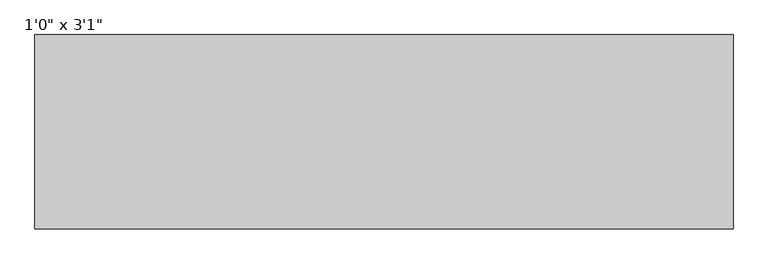
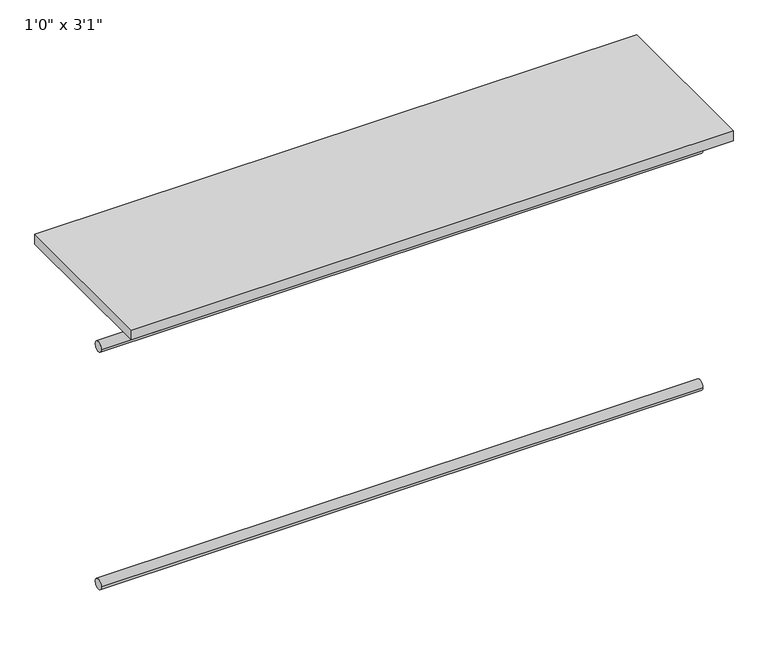
"""IFC4 building model written with IfcOpenShell, lengths in millimetres: furniture geometry."""

import ifcopenshell
import ifcopenshell.guid

model = None  # the IFC model being written
_history = None  # IfcOwnerHistory: only IFC2X3 demands one
_inside = {}  # id of a spatial element -> (the spatial element, [elements in it])
_under = {}  # id of a project, library or spatial element -> (it, [spatial elements below it])
_declared = {}  # id of a project -> (the project, [libraries it declares])
_typed = {}  # id of a type object -> (the type object, [elements of that type])
_made_of = {}  # id of a material, layer set ... -> (it, [elements and type objects made of it])


def new_model(schema):
    """Start an empty IFC model of exactly this schema.

    Asked for "IFC4X3", IfcOpenShell would pick the latest addendum, in which some entities
    have other attributes; the version numbers below select the first issue.
    IFC2X3 requires an IfcOwnerHistory on every rooted entity: one is made here for all.
    """
    global model, _history
    if schema == "IFC4X3":
        model = ifcopenshell.file(schema_version=(4, 3, 0, 0))
    else:
        model = ifcopenshell.file(schema=schema)
    _inside.clear()
    _under.clear()
    _declared.clear()
    _typed.clear()
    _made_of.clear()
    _history = None
    if model.schema == "IFC2X3":
        org = make("IfcOrganization", Name="unknown")
        user = make(
            "IfcPersonAndOrganization",
            ThePerson=make("IfcPerson", FamilyName="unknown"),
            TheOrganization=org,
        )
        app = make(
            "IfcApplication",
            ApplicationDeveloper=org,
            Version="unknown",
            ApplicationFullName="unknown",
            ApplicationIdentifier="unknown",
        )
        _history = make(
            "IfcOwnerHistory",
            OwningUser=user,
            OwningApplication=app,
            ChangeAction="ADDED",
            CreationDate=0,
        )
    return model


def make(cls, **values):
    """One entity of the class cls with the attributes given. An attribute that is None is left unset."""
    return model.create_entity(
        cls, **{name: value for name, value in values.items() if value is not None}
    )


def rooted(cls, **values):
    """An entity with a GlobalId (a new one), such as an element, a storey or a relation."""
    return make(cls, GlobalId=ifcopenshell.guid.new(), OwnerHistory=_history, **values)


def si_unit(unit_type, name, prefix=None):
    """IfcSIUnit, for example si_unit("LENGTHUNIT", "METRE", prefix="MILLI")."""
    return make("IfcSIUnit", UnitType=unit_type, Prefix=prefix, Name=name)


def assignment(units):
    """IfcUnitAssignment: the units of a project."""
    return None if units is None else make("IfcUnitAssignment", Units=units)


def point(xyz):
    """IfcCartesianPoint."""
    return None if xyz is None else make("IfcCartesianPoint", Coordinates=xyz)


def direction(xyz):
    """IfcDirection."""
    return None if xyz is None else make("IfcDirection", DirectionRatios=xyz)


def frame(location, z_axis=None, x_axis=None):
    """IfcAxis2Placement3D, a coordinate frame: its origin and axes. An axis left out is left unset."""
    return make(
        "IfcAxis2Placement3D",
        Location=point(location),
        Axis=direction(z_axis),
        RefDirection=direction(x_axis),
    )


def frame_2d(location, x_axis=None):
    """IfcAxis2Placement2D, a coordinate frame in the plane: its origin and x axis."""
    return make(
        "IfcAxis2Placement2D", Location=point(location), RefDirection=direction(x_axis)
    )


def origin():
    """The frame at (0, 0, 0) with its axes left unset."""
    return frame((0.0, 0.0, 0.0))


def origin_with_axes():
    """The frame at (0, 0, 0) with the z axis (0, 0, 1) and the x axis (1, 0, 0) written out."""
    return frame((0.0, 0.0, 0.0), z_axis=(0.0, 0.0, 1.0), x_axis=(1.0, 0.0, 0.0))


def place(relative_to, where):
    """IfcLocalPlacement: puts the frame where relative to a parent placement (None: the world)."""
    return make(
        "IfcLocalPlacement", PlacementRelTo=relative_to, RelativePlacement=where
    )


def context(
    kind, dimensions, precision=None, world=None, true_north=None, identifier=None
):
    """IfcGeometricRepresentationContext, for example the 3D "Model" context."""
    return make(
        "IfcGeometricRepresentationContext",
        ContextIdentifier=identifier,
        ContextType=kind,
        CoordinateSpaceDimension=dimensions,
        Precision=precision,
        WorldCoordinateSystem=world,
        TrueNorth=true_north,
    )


def project(units=None, contexts=None):
    """IfcProject with its units and contexts."""
    return rooted(
        "IfcProject",
        Name="project",
        RepresentationContexts=contexts,
        UnitsInContext=assignment(units),
    )


def spatial(cls, under=None, at=None, **own):
    """A site, building, storey or space (cls), placed at a placement, below another one or the project."""
    s = rooted(cls, ObjectPlacement=at, **own)
    if under is not None:
        _under.setdefault(under.id(), (under, []))[1].append(s)
    return s


def polyline(points):
    """IfcPolyline through the points."""
    return make("IfcPolyline", Points=[point(p) for p in points])


def circle_curve(where, radius):
    """IfcCircle in the frame where."""
    return make("IfcCircle", Position=where, Radius=radius)


def trimmed(basis, trim1, trim2, sense, master):
    """IfcTrimmedCurve: the piece of a basis curve between two trims."""
    return make(
        "IfcTrimmedCurve",
        BasisCurve=basis,
        Trim1=trim1,
        Trim2=trim2,
        SenseAgreement=sense,
        MasterRepresentation=master,
    )


def segment(curve, same_sense, transition):
    """IfcCompositeCurveSegment."""
    return make(
        "IfcCompositeCurveSegment",
        Transition=transition,
        SameSense=same_sense,
        ParentCurve=curve,
    )


def composite_curve(segments, self_intersect=None):
    """IfcCompositeCurve: segments joined end to end."""
    return make("IfcCompositeCurve", Segments=segments, SelfIntersect=self_intersect)


def outline(outer, holes=None, kind="AREA"):
    """IfcArbitraryClosedProfileDef: a profile drawn as a closed curve; with holes, ...WithVoids."""
    if holes is None:
        return make("IfcArbitraryClosedProfileDef", ProfileType=kind, OuterCurve=outer)
    return make(
        "IfcArbitraryProfileDefWithVoids",
        ProfileType=kind,
        OuterCurve=outer,
        InnerCurves=holes,
    )


def extrude(swept, where, along, depth):
    """IfcExtrudedAreaSolid: the profile swept, set in the frame where, extruded along a direction by depth."""
    return make(
        "IfcExtrudedAreaSolid",
        SweptArea=swept,
        Position=where,
        ExtrudedDirection=direction(along),
        Depth=depth,
    )


def shape(context_of_items, identifier, shape_type, items):
    """IfcShapeRepresentation: the items that make up one representation, for example the "Body"."""
    return make(
        "IfcShapeRepresentation",
        ContextOfItems=context_of_items,
        RepresentationIdentifier=identifier,
        RepresentationType=shape_type,
        Items=items,
    )


def source(mapping_origin, context_of_items, identifier, shape_type, items):
    """IfcRepresentationMap: a shape defined once, which mapped items show again and again."""
    return make(
        "IfcRepresentationMap",
        MappingOrigin=mapping_origin,
        MappedRepresentation=shape(context_of_items, identifier, shape_type, items),
    )


def transform(
    local_origin,
    x_axis=None,
    y_axis=None,
    z_axis=None,
    scale=None,
    scale2=None,
    scale3=None,
    uniform=True,
):
    """IfcCartesianTransformationOperator3D, or its non-uniform kind. x_axis, y_axis, z_axis: its Axis1, 2, 3."""
    if uniform:
        return make(
            "IfcCartesianTransformationOperator3D",
            Axis1=direction(x_axis),
            Axis2=direction(y_axis),
            LocalOrigin=point(local_origin),
            Scale=scale,
            Axis3=direction(z_axis),
        )
    return make(
        "IfcCartesianTransformationOperator3DnonUniform",
        Axis1=direction(x_axis),
        Axis2=direction(y_axis),
        LocalOrigin=point(local_origin),
        Scale=scale,
        Axis3=direction(z_axis),
        Scale2=scale2,
        Scale3=scale3,
    )


def mapped(mapping_source, mapping_target):
    """IfcMappedItem: shows the shape of a source again, moved by a transform."""
    return make(
        "IfcMappedItem", MappingSource=mapping_source, MappingTarget=mapping_target
    )


def made_of(thing, what):
    """Note that an element or type object is made of a material, layer set ...; save() writes the relation."""
    if what is not None:
        _made_of.setdefault(what.id(), (what, []))[1].append(thing)
    return thing


def element(
    cls,
    number,
    at=None,
    inside=None,
    cuts=None,
    type_object=None,
    material=None,
    context=None,
    identifier="Body",
    shape_type=None,
    held_by="IfcProductDefinitionShape",
    body=None,
    shapes=None,
    **own,
):
    """One element of the class cls, such as IfcWall. Its Tag is "e" and its number.

    at: its placement. inside: the storey or other place that contains it. cuts: it is an
    opening in that element (IfcRelVoidsElement). A single representation is given by context,
    identifier, shape_type and body (its items); several are given by shapes. held_by: the class
    of the entity that holds the representations. save() writes the other relations.
    """
    e = rooted(cls, Tag="e%d" % number, ObjectPlacement=at, **own)
    if body is not None:
        shapes = [shape(context, identifier, shape_type, body)]
    if shapes is not None:
        e.Representation = make(held_by, Representations=shapes)
    if inside is not None:
        _inside.setdefault(inside.id(), (inside, []))[1].append(e)
    if cuts is not None:
        rooted(
            "IfcRelVoidsElement", RelatingBuildingElement=cuts, RelatedOpeningElement=e
        )
    if type_object is not None:
        _typed.setdefault(type_object.id(), (type_object, []))[1].append(e)
    return made_of(e, material)


def aggregate(whole, parts):
    """IfcRelAggregates: a whole, such as a stair, and the parts it consists of."""
    return rooted("IfcRelAggregates", RelatingObject=whole, RelatedObjects=parts)


def save(model, path):
    """Write the relations noted so far, then the file.

    IfcRelAggregates (storeys below a building ...), IfcRelContainedInSpatialStructure (elements
    in a storey), IfcRelDefinesByType, IfcRelAssociatesMaterial and IfcRelDeclares: one each for
    every whole, place, type object, material and project.
    """
    for whole, parts in _under.values():
        aggregate(whole, parts)
    for where, things in _inside.values():
        rooted(
            "IfcRelContainedInSpatialStructure",
            RelatedElements=things,
            RelatingStructure=where,
        )
    for kind, things in _typed.values():
        rooted("IfcRelDefinesByType", RelatedObjects=things, RelatingType=kind)
    for what, things in _made_of.values():
        rooted("IfcRelAssociatesMaterial", RelatedObjects=things, RelatingMaterial=what)
    for by, libraries in _declared.values():
        rooted("IfcRelDeclares", RelatingContext=by, RelatedDefinitions=libraries)
    model.write(path)


def furniture_e092cda5(model_context):
    return source(origin(), model_context, "Body", "SweptSolid", [
        extrude(outline(composite_curve([segment(trimmed(circle_curve(frame_2d((342.9, -711.2)), 12.7), [point((330.2, -711.2))], [point((355.6, -711.2))], False, "CARTESIAN"), True, "CONTINUOUS"), segment(trimmed(circle_curve(frame_2d((342.9, -711.2)), 12.7), [point((355.6, -711.2))], [point((330.2, -711.2))], False, "CARTESIAN"), True, "CONTINUOUS")], self_intersect=False)), frame((-712.0310451, 0.0, 0.0), z_axis=(1.0, 0.0, 0.0), x_axis=(0.0, 1.0, 0.0)), (0.0, 0.0, 1.0), 1461.5375),
        extrude(outline(composite_curve([segment(trimmed(circle_curve(frame_2d((342.9, -101.6)), 12.7), [point((330.2, -101.6))], [point((355.6, -101.6))], False, "CARTESIAN"), True, "CONTINUOUS"), segment(trimmed(circle_curve(frame_2d((342.9, -101.6)), 12.7), [point((355.6, -101.6))], [point((330.2, -101.6))], False, "CARTESIAN"), True, "CONTINUOUS")], self_intersect=False)), frame((-712.0310451, 0.0, 0.0), z_axis=(1.0, 0.0, 0.0), x_axis=(0.0, 1.0, 0.0)), (0.0, 0.0, 1.0), 1461.5375),
        extrude(outline(polyline([(749.5064549, 203.2), (-712.0310451, 203.2), (-712.0310451, 609.6), (749.5064549, 609.6), (749.5064549, 203.2)])), origin_with_axes(), (0.0, 0.0, 1.0), 25.4),
    ])


if __name__ == "__main__":
    model = new_model("IFC4")
    model_context = context("Model", 3, world=origin())
    ifc_project = project(units=[si_unit("LENGTHUNIT", "METRE", prefix="MILLI")], contexts=[model_context])
    site = spatial("IfcSite", under=ifc_project)
    building = spatial("IfcBuilding", under=site)
    placement = place(None, origin())
    furniture_shape = furniture_e092cda5(model_context)
    element("IfcFurniture", 1, ObjectType="1'0\" x 3'1\"", at=placement, inside=building, context=model_context, shape_type="MappedRepresentation", body=[
        mapped(furniture_shape, transform((0.0, 0.0, 0.0), x_axis=(1.0, 0.0, 0.0), y_axis=(0.0, 1.0, 0.0), z_axis=(0.0, 0.0, 1.0))),
    ])
    save(model, "model.ifc")
